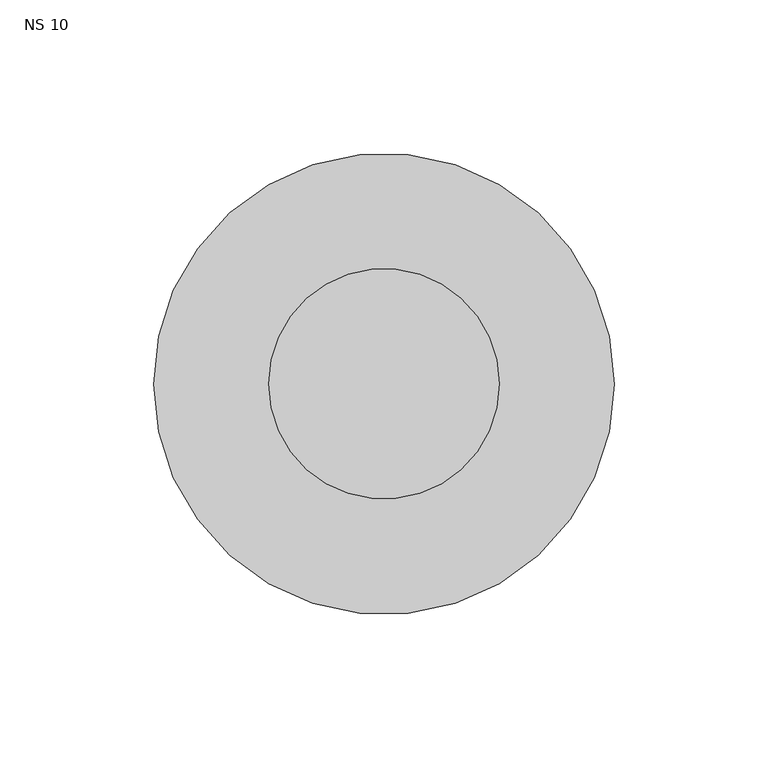
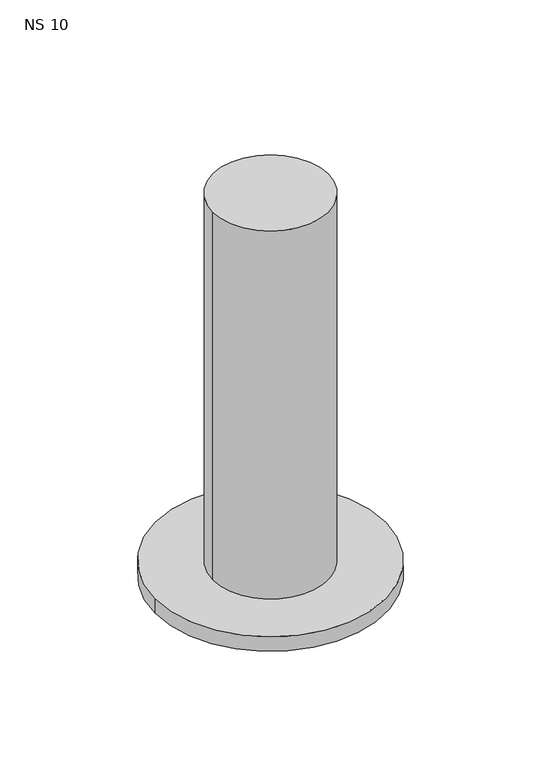
"""IFC4 building model written with IfcOpenShell, lengths in millimetres: unitary equipment geometry, NS 10."""

from ifc_helpers import new_model, si_unit, point, frame, frame_2d, origin, place, context, project, spatial, circle_curve, trimmed, segment, composite_curve, outline, extrude, source, transform, mapped, element, save


def ns_10_fe587ec6(model_context):
    return source(origin(), model_context, "Body", "SweptSolid", [
        extrude(outline(composite_curve([segment(trimmed(circle_curve(frame_2d((-570.0, 0.0)), 37.5), [point((-607.5, 0.0))], [point((-532.5, 0.0))], False, "CARTESIAN"), True, "CONTINUOUS"), segment(trimmed(circle_curve(frame_2d((-570.0, 0.0)), 37.5), [point((-532.5, 0.0))], [point((-607.5, 0.0))], False, "CARTESIAN"), True, "CONTINUOUS")], self_intersect=False)), frame((0.0, 0.0, 1463.0), z_axis=(0.0, 0.0, 1.0), x_axis=(1.0, 0.0, 0.0)), (0.0, 0.0, 1.0), 263.0),
        extrude(outline(composite_curve([segment(trimmed(circle_curve(frame_2d((-570.0, 0.0)), 75.0), [point((-645.0, 0.0))], [point((-495.0, 0.0))], False, "CARTESIAN"), True, "CONTINUOUS"), segment(trimmed(circle_curve(frame_2d((-570.0, 0.0)), 75.0), [point((-495.0, 0.0))], [point((-645.0, 0.0))], False, "CARTESIAN"), True, "CONTINUOUS")], self_intersect=False)), frame((0.0, 0.0, 1463.0), z_axis=(0.0, 0.0, 1.0), x_axis=(1.0, 0.0, 0.0)), (0.0, 0.0, 1.0), 10.0),
    ])


if __name__ == "__main__":
    model = new_model("IFC4")
    model_context = context("Model", 3, world=origin())
    ifc_project = project(units=[si_unit("LENGTHUNIT", "METRE", prefix="MILLI")], contexts=[model_context])
    site = spatial("IfcSite", under=ifc_project)
    building = spatial("IfcBuilding", under=site)
    placement = place(None, origin())
    ns_10_shape = ns_10_fe587ec6(model_context)
    element("IfcUnitaryEquipment", 1, ObjectType="NS 10", at=placement, inside=building, context=model_context, shape_type="MappedRepresentation", body=[
        mapped(ns_10_shape, transform((0.0, 0.0, 0.0), x_axis=(1.0, 0.0, 0.0), y_axis=(0.0, 1.0, 0.0), z_axis=(0.0, 0.0, 1.0))),
    ])
    save(model, "model.ifc")
